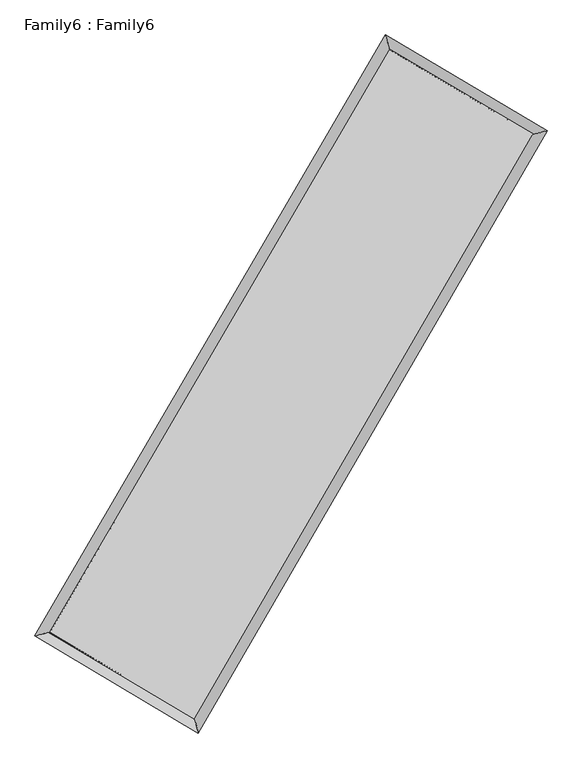
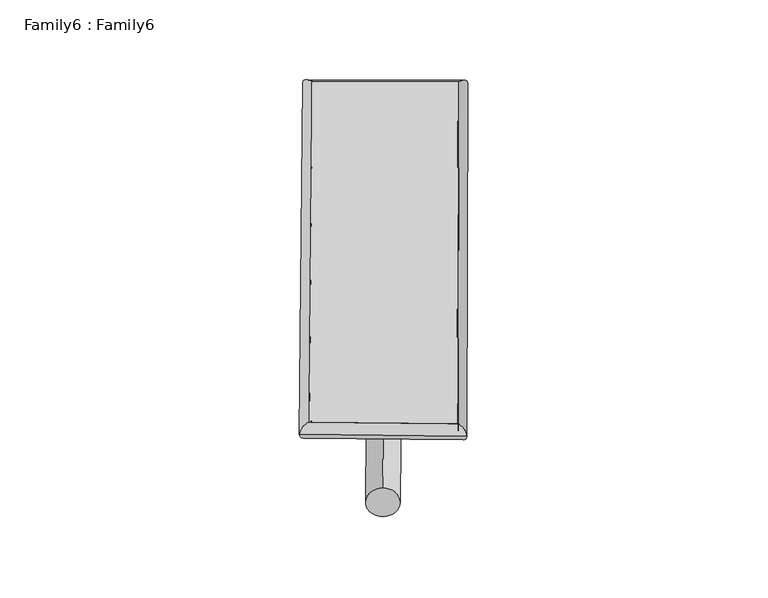
"""IFC4 building model written with IfcOpenShell, lengths in millimetres: plate geometry, Family6 : Family6."""

from ifc_helpers import new_model, si_unit, point, frame, origin, origin_2d, place, context, project, spatial, circle_curve, ellipse_curve, trimmed, segment, composite_curve, outline, extrude, source, transform, mapped, element, save
from ifc_brep_helpers import plane_surface, cylinder_surface, spline_surface, advanced_brep


def family6_family6_3efed53c(model_context):
    return source(origin(), model_context, "Body", "SolidModel", [
        extrude(outline(composite_curve([segment(trimmed(circle_curve(origin_2d(), 76.2), [point((-75.4341514, -10.7763073))], [point((75.4341514, 10.7763073))], False, "CARTESIAN"), True, "CONTINUOUS"), segment(trimmed(circle_curve(origin_2d(), 76.2), [point((75.4341514, 10.7763073))], [point((-75.4341514, -10.7763073))], False, "CARTESIAN"), True, "CONTINUOUS")], self_intersect=False)), frame((9144.0, 9144.0, 0.0), z_axis=(0.6700930203129968, 0.6895919962086147, 0.27466019531927777), x_axis=(-0.6816203408933948, 0.7181615336378782, -0.14013465839421418)), (0.0, 0.0, 1.0), 5564.7003477),
        extrude(outline(composite_curve([segment(trimmed(circle_curve(origin_2d(), 76.2), [point((-53.8815367, 53.8815368))], [point((53.8815367, -53.8815368))], False, "CARTESIAN"), True, "CONTINUOUS"), segment(trimmed(circle_curve(origin_2d(), 76.2), [point((53.8815367, -53.8815368))], [point((-53.8815367, 53.8815368))], False, "CARTESIAN"), True, "CONTINUOUS")], self_intersect=False)), frame((9144.0, 9144.0, 0.0), z_axis=(-0.6723688166355954, -0.6874374265175494, 0.274499470015842), x_axis=(0.6424730513181365, -0.357799207450109, 0.6776489544580122)), (0.0, 0.0, 1.0), 5568.1282451),
        extrude(outline(composite_curve([segment(trimmed(circle_curve(origin_2d(), 76.2), [point((-53.8815368, -53.8815368))], [point((53.8815368, 53.8815368))], False, "CARTESIAN"), True, "CONTINUOUS"), segment(trimmed(circle_curve(origin_2d(), 76.2), [point((53.8815368, 53.8815368))], [point((-53.8815368, -53.8815368))], False, "CARTESIAN"), True, "CONTINUOUS")], self_intersect=False)), frame((9144.0, 9144.0, 0.0), z_axis=(0.26936822241298536, 0.9239165928410159, 0.2716963198630356), x_axis=(-0.8406537505985854, 0.36322349208419713, -0.4017088079725073)), (0.0, 0.0, 1.0), 5581.9695702),
        extrude(outline(composite_curve([segment(trimmed(circle_curve(origin_2d(), 76.2), [point((-75.4341514, 10.7763074))], [point((75.4341514, -10.7763074))], False, "CARTESIAN"), True, "CONTINUOUS"), segment(trimmed(circle_curve(origin_2d(), 76.2), [point((75.4341514, -10.7763074))], [point((-75.4341514, 10.7763074))], False, "CARTESIAN"), True, "CONTINUOUS")], self_intersect=False)), frame((9144.0, 9144.0, 0.0), z_axis=(-0.2665224737060815, -0.9248059367709067, 0.27147697936082316), x_axis=(0.8811296232792972, -0.1196389849100609, 0.4574900001851124)), (0.0, 0.0, 1.0), 5587.2047516),
        advanced_brep(
        [(5192.2819714, 5262.495364, 1527.5297864), (5192.2774271, 5262.4892421, 1529.587238), (5608.0464305, 5370.0251333, 1529.3667181), (10701.8228337, 14091.9245161, 1517.8659994), (10593.3876077, 14510.6240971, 1515.3351803), (5608.0509748, 5370.0312552, 1527.3092665), (12665.3685613, 12927.2583602, 1528.2791519), (13080.3651649, 13035.4872818, 1528.5242169), (7600.2657029, 4186.6233738, 1517.0149239), (7709.5030341, 3767.2163779, 1516.5800142)],
        [
            (0, 1, ellipse_curve(frame((5400.164201, 5316.2602487, 1528.4482523), z_axis=(-0.25040155682561455, 0.9681392681803024, 0.0023276053396311894), x_axis=(-0.9681319862834638, -0.25040919698632685, 0.003961211872392541)), 214.7314861, 152.4)),
            (1, 2, ellipse_curve(frame((5400.164201, 5316.2602487, 1528.4482523), z_axis=(-0.25040155682561455, 0.9681392681803024, 0.0023276053396311894), x_axis=(-0.9681319862834638, -0.25040919698632685, 0.003961211872392541)), 214.7314861, 152.4)),
            (2, 3),
            (3, 4, ellipse_curve(frame((10647.6052207, 14301.2743066, 1516.6005898), z_axis=(-0.9680558929274151, -0.25072273788085164, -0.0024283488288898377), x_axis=(0.25071201182349345, -0.9680533831159026, 0.004016785440113026)), 216.2605955, 152.4)),
            (4, 0),
            (2, 5, ellipse_curve(frame((5400.164201, 5316.2602487, 1528.4482523), z_axis=(-0.25040155682561455, 0.9681392681803024, 0.0023276053396311894), x_axis=(-0.9681319862834638, -0.25040919698632685, 0.003961211872392541)), 214.7314861, 152.4)),
            (5, 0, ellipse_curve(frame((5400.164201, 5316.2602487, 1528.4482523), z_axis=(-0.25040155682561455, 0.9681392681803024, 0.0023276053396311894), x_axis=(-0.9681319862834638, -0.25040919698632685, 0.003961211872392541)), 214.7314861, 152.4)),
            (4, 3, ellipse_curve(frame((10647.6052207, 14301.2743066, 1516.6005898), z_axis=(-0.9680558929274151, -0.25072273788085164, -0.0024283488288898377), x_axis=(0.25071201182349345, -0.9680533831159026, 0.004016785440113026)), 216.2605955, 152.4)),
            (3, 6),
            (6, 7, ellipse_curve(frame((12872.8668631, 12981.372821, 1528.4016844), z_axis=(-0.2523520028644919, 0.967632465544367, -0.0024245153760059134), x_axis=(-0.9676249670842516, -0.25236015553599217, -0.00403422521071161)), 214.439911, 152.4)),
            (7, 4),
            (7, 6, ellipse_curve(frame((12872.8668631, 12981.372821, 1528.4016844), z_axis=(-0.2523520028644919, 0.967632465544367, -0.0024245153760059134), x_axis=(-0.9676249670842516, -0.25236015553599217, -0.00403422521071161)), 214.439911, 152.4)),
            (6, 8),
            (8, 9, ellipse_curve(frame((7654.8843685, 3976.9198758, 1516.797469), z_axis=(0.967711496871739, 0.2520493247574582, -0.0023657370030473216), x_axis=(-0.2520391561266459, 0.967709143080393, 0.0039087309423324265)), 216.7007337, 152.4)),
            (9, 7),
            (9, 8, ellipse_curve(frame((7654.8843685, 3976.9198758, 1516.797469), z_axis=(0.967711496871739, 0.2520493247574582, -0.0023657370030473216), x_axis=(-0.2520391561266459, 0.967709143080393, 0.0039087309423324265)), 216.7007337, 152.4)),
            (8, 5),
            (1, 9),
        ],
        [
            cylinder_surface(frame((5400.164201, 5316.2602487, 1528.4482523), z_axis=(-0.5043139809498505, -0.8635196072582164, 0.0011386391568754088), x_axis=(-0.8635021615628848, 0.5042943552752939, -0.007156829863922383)), 152.4),
            cylinder_surface(frame((10647.6052207, 14301.2743066, 1516.6005898), z_axis=(-0.8600743648924986, 0.510148294608225, -0.0045611800101292566), x_axis=(0.5101646468794485, 0.8600687539076021, -0.003711014172972505)), 152.4),
            cylinder_surface(frame((12872.8668631, 12981.372821, 1528.4016844), z_axis=(0.501386981975084, 0.865222428636672, 0.001115029136781229), x_axis=(0.8652230952005932, -0.501386981975084, -0.0002997289144295998)), 152.4),
            cylinder_surface(frame((7654.8843685, 3976.9198758, 1516.797469), z_axis=(0.8597457618335387, -0.5107029359043244, -0.0044425519661541865), x_axis=(-0.5106938755927265, -0.8597571620668357, 0.003063936497678204)), 152.4),
        ],
        [
            (0, [[1, 2, 3, 4, 5]]),
            (0, [[6, 7, -5, 8, -3]]),
            (1, [[-4, 9, 10, 11]]),
            (1, [[-8, -11, 12, -9]]),
            (2, [[-10, 13, 14, 15]]),
            (2, [[-12, -15, 16, -13]]),
            (3, [[-14, 17, -6, -2, 18]]),
            (3, [[-16, -18, -1, -7, -17]]),
        ],
    ),
        extrude(outline(composite_curve([segment(trimmed(circle_curve(origin_2d(), 304.8), [point((0.0, -304.8))], [point((1e-07, 304.8))], False, "CARTESIAN"), True, "CONTINUOUS"), segment(trimmed(circle_curve(origin_2d(), 304.8), [point((1e-07, 304.8))], [point((0.0, -304.8))], False, "CARTESIAN"), True, "CONTINUOUS")], self_intersect=False)), frame((6510.8945249, 4631.8237986, -0.000733), z_axis=(0.5040142198535003, 0.8636953549634546, 1.4031565051460213e-07), x_axis=(-0.8636953549634652, 0.5040142198535003, 3.794669710315416e-08)), (0.0, 0.0, 1.0), 10448.5364554),
        advanced_brep(
        [(5400.164201, 5316.2602487, 1528.4482523), (7654.8843685, 3976.9198758, 1516.797469), (7654.8854818, 3976.9212745, 1669.197469), (5400.1653142, 5316.2616474, 1680.8482523), (12872.8668631, 12981.372821, 1528.4016844), (12872.8679764, 12981.3742198, 1680.8016844), (10647.6052207, 14301.2743066, 1516.6005898), (10647.6063339, 14301.2757054, 1669.0005898)],
        [
            (0, 1),
            (1, 2),
            (2, 3),
            (3, 0),
            (1, 4),
            (4, 5),
            (5, 2),
            (4, 6),
            (6, 7),
            (7, 5),
            (6, 0),
            (3, 7),
        ],
        [
            plane_surface(frame((6527.5242847, 4646.5900622, 1522.6228606), z_axis=(-0.5107079312408663, -0.8597542723549659, 1.1621441678317038e-05), x_axis=(0.8597457618335385, -0.5107029359043248, -0.004442551966154187))),
            plane_surface(frame((10263.8756158, 8479.1463484, 1522.5995767), z_axis=(0.8652229674578784, -0.5013872920013326, -1.7185875985573757e-06), x_axis=(0.5013869819750845, 0.8652224286366718, 0.0011150291367812268))),
            plane_surface(frame((11760.2360419, 13641.3235638, 1522.5011371), z_axis=(0.5101536468990491, 0.8600832845838632, -1.162041237863726e-05), x_axis=(-0.8600743648924984, 0.5101482946082255, -0.004561180010129259))),
            plane_surface(frame((8023.8847108, 9808.7672776, 1522.524421), z_axis=(-0.8635201660694529, 0.504314309521914, 1.6792848244438514e-06), x_axis=(-0.5043139809498509, -0.8635196072582162, 0.001138639156875407))),
            spline_surface(1, 1, [[(7654.8854818, 3976.9212745, 1669.197469), (5400.1653142, 5316.2616474, 1680.8482523)], [(12872.8679764, 12981.3742198, 1680.8016844), (10647.6063339, 14301.2757054, 1669.0005898)]], [2, 2], [2, 2], [0.0, 1.0], [0.0, 1.0]),
            spline_surface(1, 1, [[(10647.6052207, 14301.2743066, 1516.6005898), (5400.164201, 5316.2602487, 1528.4482523)], [(12872.8668631, 12981.372821, 1528.4016844), (7654.8843685, 3976.9198758, 1516.797469)]], [2, 2], [2, 2], [0.0, 1.0], [0.0, 1.0]),
        ],
        [
            (0, [[1, 2, 3, 4]]),
            (1, [[5, 6, 7, -2]]),
            (2, [[8, 9, 10, -6]]),
            (3, [[11, -4, 12, -9]]),
            (4, [[-3, -7, -10, -12]]),
            (5, [[-11, -8, -5, -1]]),
        ],
    ),
    ])


if __name__ == "__main__":
    model = new_model("IFC4")
    model_context = context("Model", 3, world=origin())
    ifc_project = project(units=[si_unit("LENGTHUNIT", "METRE", prefix="MILLI")], contexts=[model_context])
    site = spatial("IfcSite", under=ifc_project)
    building = spatial("IfcBuilding", under=site)
    placement = place(None, origin())
    family6_family6_shape = family6_family6_3efed53c(model_context)
    element("IfcPlate", 1, ObjectType="Family6 : Family6", at=placement, inside=building, context=model_context, shape_type="MappedRepresentation", body=[
        mapped(family6_family6_shape, transform((0.0, 0.0, 0.0), x_axis=(1.0, 0.0, 0.0), y_axis=(0.0, 1.0, 0.0), z_axis=(0.0, 0.0, 1.0))),
    ])
    save(model, "model.ifc")
